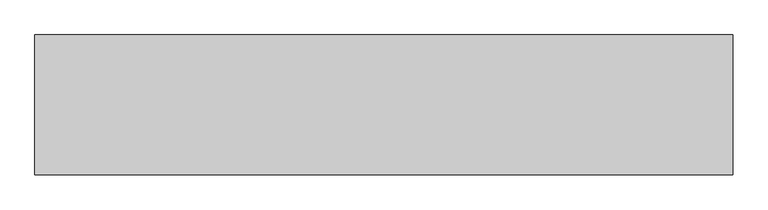
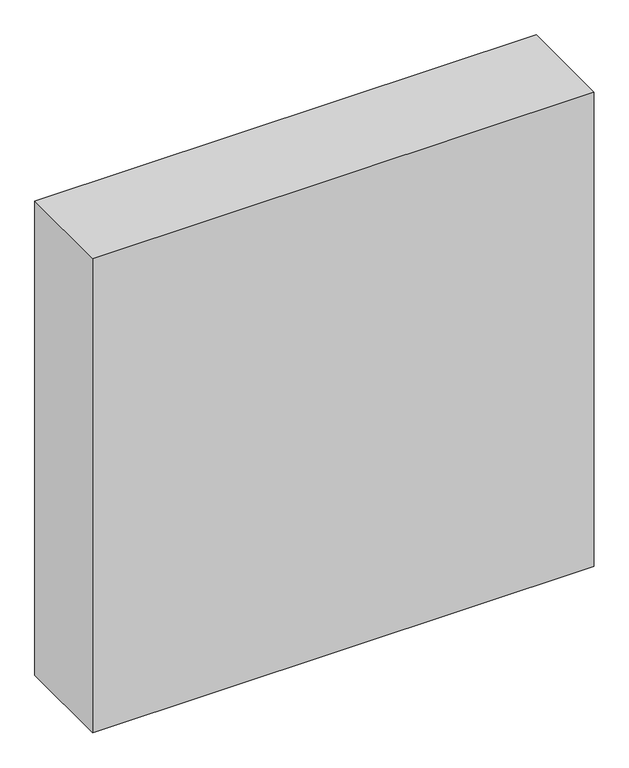
"""IFC4 building model written with IfcOpenShell, lengths in millimetres: proxy geometry."""

from ifc_helpers import new_model, si_unit, origin, origin_with_axes, place, context, project, spatial, polyline, outline, extrude, source, transform, mapped, element, save


def generic_models_9a968cea(model_context):
    return source(origin(), model_context, "Body", "SweptSolid", [
        extrude(outline(polyline([(1000.0, 200.0), (1000.0, 0.0), (0.0, 0.0), (0.0, 200.0), (1000.0, 200.0)])), origin_with_axes(), (0.0, 0.0, 1.0), 1000.0),
    ])


if __name__ == "__main__":
    model = new_model("IFC4")
    model_context = context("Model", 3, world=origin())
    ifc_project = project(units=[si_unit("LENGTHUNIT", "METRE", prefix="MILLI")], contexts=[model_context])
    site = spatial("IfcSite", under=ifc_project)
    building = spatial("IfcBuilding", under=site)
    placement = place(None, origin())
    generic_models_shape = generic_models_9a968cea(model_context)
    element("IfcBuildingElementProxy", 1, Name="Generic Models", at=placement, inside=building, context=model_context, shape_type="MappedRepresentation", body=[
        mapped(generic_models_shape, transform((0.0, 0.0, 0.0), x_axis=(1.0, 0.0, 0.0), y_axis=(0.0, 1.0, 0.0), z_axis=(0.0, 0.0, 1.0))),
    ])
    save(model, "model.ifc")
